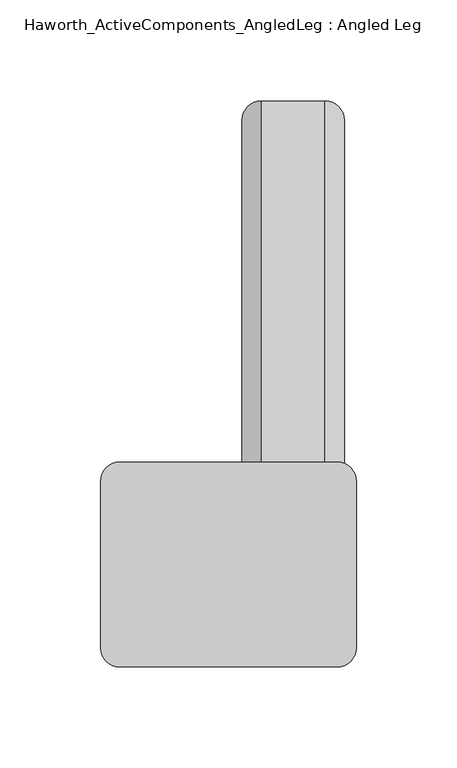
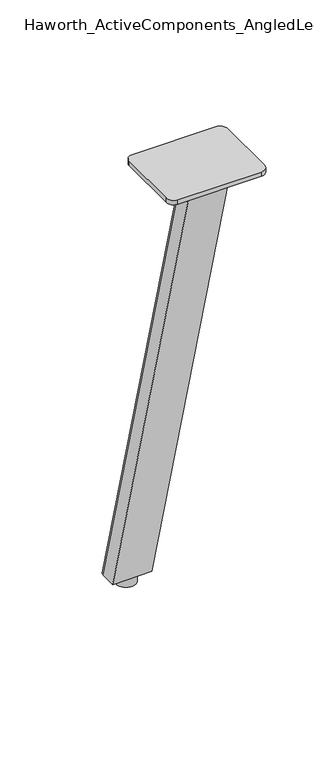
"""IFC4 building model written with IfcOpenShell, lengths in millimetres: furniture geometry, Haworth_ActiveComponents_AngledLeg : Angled Leg."""

from ifc_helpers import new_model, si_unit, point, frame, frame_2d, origin, origin_with_axes, place, context, project, spatial, polyline, circle_curve, trimmed, segment, composite_curve, outline, extrude, source, transform, mapped, element, save
from ifc_brep_helpers import plane_surface, extruded_surface, advanced_brep


def haworth_activecomponents_angledleg_angled_leg_74847766(model_context):
    return source(origin(), model_context, "Body", "SolidModel", [
        extrude(outline(composite_curve([segment(polyline([(21.844, -280.9875), (-86.1059996, -280.9875)]), True, "CONTINUOUS"), segment(trimmed(circle_curve(frame_2d((-86.1059996, -271.4625)), 9.525), [point((-86.1059996, -280.9875))], [point((-95.6309996, -271.4625))], False, "CARTESIAN"), True, "CONTINUOUS"), segment(polyline([(-95.6309996, -271.4625), (-95.6309996, -188.7891306)]), True, "CONTINUOUS"), segment(trimmed(circle_curve(frame_2d((-86.1059996, -188.7891306)), 9.525), [point((-95.6309996, -188.7891306))], [point((-86.1059996, -179.2641306))], False, "CARTESIAN"), True, "CONTINUOUS"), segment(polyline([(-86.1059996, -179.2641306), (21.844, -179.2641306)]), True, "CONTINUOUS"), segment(trimmed(circle_curve(frame_2d((21.844, -188.7891306)), 9.525), [point((21.844, -179.2641306))], [point((31.369, -188.7891306))], False, "CARTESIAN"), True, "CONTINUOUS"), segment(polyline([(31.369, -188.7891306), (31.369, -271.4625)]), True, "CONTINUOUS"), segment(trimmed(circle_curve(frame_2d((21.844, -271.4625)), 9.525), [point((31.369, -271.4625))], [point((21.844, -280.9875))], False, "CARTESIAN"), True, "CONTINUOUS")], self_intersect=False)), frame((0.0, 0.0, 705.2055742), z_axis=(0.0, 0.0, 1.0), x_axis=(1.0, 0.0, 0.0)), (0.0, 0.0, 1.0), 5.9944258),
        advanced_brep(
        [(15.875, -186.4882907, 705.2055742), (-15.875, -186.4882907, 705.2055742), (-25.4, -196.0132907, 705.2055742), (-25.4, -216.6507907, 705.2055742), (25.4, -216.6507907, 705.2055742), (25.4, -196.0132907, 705.2055742), (15.875, 0.0, 12.7), (25.4, -9.525, 12.7), (25.4, -30.1625, 12.7), (-25.4, -30.1625, 12.7), (-25.4, -9.525, 12.7), (-15.875, 0.0, 12.7)],
        [
            (0, 1),
            (1, 2, circle_curve(frame((-15.875, -196.0132907, 705.2055742), z_axis=(0.0, 0.0, 1.0), x_axis=(1.0, 0.0, 0.0)), 9.525)),
            (2, 3),
            (3, 4),
            (4, 5),
            (5, 0, circle_curve(frame((15.875, -196.0132907, 705.2055742), z_axis=(0.0, 0.0, 1.0), x_axis=(1.0, 0.0, 0.0)), 9.525)),
            (6, 7, circle_curve(frame((15.875, -9.525, 12.7), z_axis=(0.0, 0.0, -1.0), x_axis=(1.0, 0.0, 0.0)), 9.525)),
            (7, 8),
            (8, 9),
            (9, 10),
            (10, 11, circle_curve(frame((-15.875, -9.525, 12.7), z_axis=(0.0, 0.0, -1.0), x_axis=(1.0, 0.0, 0.0)), 9.525)),
            (11, 6),
            (6, 0),
            (5, 7),
            (4, 8),
            (3, 9),
            (2, 10),
            (1, 11),
        ],
        [
            plane_surface(frame((0.0, -199.7174574, 705.2055742), z_axis=(0.0, 0.0, 1.0), x_axis=(-1.0, 0.0, 0.0))),
            plane_surface(frame((0.0, -13.2291667, 12.7), z_axis=(0.0, 0.0, -1.0), x_axis=(-1.0, 0.0, 0.0))),
            extruded_surface(trimmed(circle_curve(frame((15.875, -196.0132907, 705.2055742), z_axis=(0.0, 0.0, -1.0), x_axis=(1.0, 0.0, 0.0)), 9.525), [point((15.875, -186.4882907, 705.2055742))], [point((25.4, -196.0132907, 705.2055742))], True, "CARTESIAN"), (0.0, 186.4882907, -692.5055742), 717.1763052878136),
            plane_surface(frame((25.4, -19.84375, 12.7), z_axis=(1.0, 0.0, 0.0), x_axis=(0.0, -1.0, 0.0))),
            plane_surface(frame((0.0, -30.1625, 12.7), z_axis=(0.0, -0.9656001865922422, -0.260031305140414), x_axis=(-1.0, 0.0, 0.0))),
            plane_surface(frame((-25.4, -19.84375, 12.7), z_axis=(-1.0, 0.0, 0.0), x_axis=(0.0, 1.0, 0.0))),
            extruded_surface(trimmed(circle_curve(frame((-15.875, -196.0132907, 705.2055742), z_axis=(0.0, 0.0, -1.0), x_axis=(1.0, 0.0, 0.0)), 9.525), [point((-25.4, -196.0132907, 705.2055742))], [point((-15.875, -186.4882907, 705.2055742))], True, "CARTESIAN"), (0.0, 186.4882907, -692.5055742), 717.1763052878136),
            plane_surface(frame((0.0, 0.0, 12.7), z_axis=(0.0, 0.9656001865922422, 0.260031305140414), x_axis=(1.0, 0.0, 0.0))),
        ],
        [
            (0, [[1, 2, 3, 4, 5, 6]]),
            (1, [[7, 8, 9, 10, 11, 12]]),
            (2, [[13, -6, 14, -7]]),
            (3, [[-14, -5, 15, -8]]),
            (4, [[-15, -4, 16, -9]]),
            (5, [[-16, -3, 17, -10]]),
            (6, [[-17, -2, 18, -11]]),
            (7, [[-18, -1, -13, -12]]),
        ],
    ),
        extrude(outline(composite_curve([segment(trimmed(circle_curve(frame_2d((0.0, -15.875)), 12.7), [point((-12.7, -15.875))], [point((12.7, -15.875))], False, "CARTESIAN"), True, "CONTINUOUS"), segment(trimmed(circle_curve(frame_2d((0.0, -15.875)), 12.7), [point((12.7, -15.875))], [point((-12.7, -15.875))], False, "CARTESIAN"), True, "CONTINUOUS")], self_intersect=False)), origin_with_axes(), (0.0, 0.0, 1.0), 12.7),
    ])


if __name__ == "__main__":
    model = new_model("IFC4")
    model_context = context("Model", 3, world=origin())
    ifc_project = project(units=[si_unit("LENGTHUNIT", "METRE", prefix="MILLI")], contexts=[model_context])
    site = spatial("IfcSite", under=ifc_project)
    building = spatial("IfcBuilding", under=site)
    placement = place(None, origin())
    haworth_activecomponents_angledleg_angled_leg_shape = haworth_activecomponents_angledleg_angled_leg_74847766(model_context)
    element("IfcFurniture", 1, ObjectType="Haworth_ActiveComponents_AngledLeg : Angled Leg", at=placement, inside=building, context=model_context, shape_type="MappedRepresentation", body=[
        mapped(haworth_activecomponents_angledleg_angled_leg_shape, transform((0.0, 0.0, 0.0), x_axis=(1.0, 0.0, 0.0), y_axis=(0.0, 1.0, 0.0), z_axis=(0.0, 0.0, 1.0))),
    ])
    save(model, "model.ifc")
